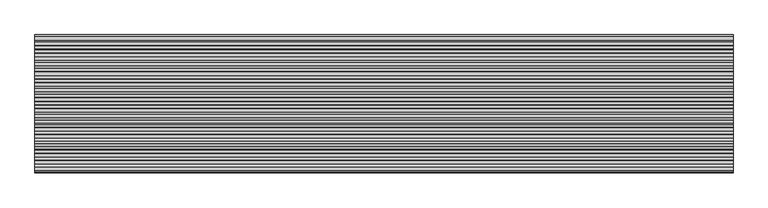
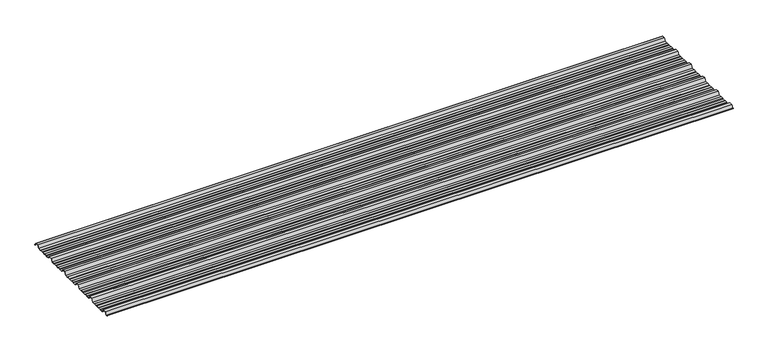
"""IFC4 building model written with IfcOpenShell, lengths in millimetres: beam geometry."""

from ifc_helpers import new_model, si_unit, point, frame, frame_2d, origin, place, context, project, spatial, polyline, circle_curve, trimmed, segment, composite_curve, outline, extrude, source, transform, mapped, element, save


def beam_672d1ae3(model_context):
    return source(origin(), model_context, "Body", "SweptSolid", [
        extrude(outline(composite_curve([segment(polyline([(-159.5006096, -7.7896475), (-173.0, -25.7896475), (-191.1560825, -25.7896475), (-195.2826844, -23.7896475), (-212.8895196, -23.7896475), (-216.1536836, -25.7896475), (-234.9266573, -25.7896475), (-237.9681158, -23.7896475), (-253.6339196, -23.7896475), (-256.6775615, -25.7896475), (-277.0, -25.7896475), (-290.4993904, -7.7896475), (-309.5006096, -7.7896475), (-323.0, -25.7896475), (-341.1560825, -25.7896475), (-345.2826844, -23.7896475), (-362.8895196, -23.7896475), (-366.1536836, -25.7896475), (-384.9266573, -25.7896475), (-387.9681158, -23.7896475), (-403.6339196, -23.7896475), (-406.6775615, -25.7896475), (-427.0, -25.7896475), (-440.4993904, -7.7896475), (-459.5006096, -7.7896475), (-473.0, -25.7896475), (-491.1560825, -25.7896475), (-495.2826844, -23.7896475), (-512.8895196, -23.7896475), (-516.1536836, -25.7896475), (-534.9266573, -25.7896475), (-537.9681158, -23.7896475), (-553.6339196, -23.7896475), (-556.6775615, -25.7896475), (-577.0, -25.7896475), (-590.4993904, -7.7896475), (-609.5006096, -7.7896475), (-623.0, -25.7896475), (-641.1560825, -25.7896475), (-645.2826844, -23.7896475), (-662.8895196, -23.7896475), (-666.1536836, -25.7896475), (-684.9266573, -25.7896475), (-687.9681158, -23.7896475), (-703.6339196, -23.7896475), (-706.6775615, -25.7896475), (-727.0, -25.7896475), (-740.4993904, -7.7896475), (-759.5006096, -7.7896475), (-771.5000677, -23.7896475), (-775.173385, -23.7896475)]), True, "CONTINUOUS"), segment(trimmed(circle_curve(frame_2d((-775.173385, -23.2896475)), 0.5), [point((-775.173385, -23.7896475))], [point((-775.173385, -22.7896475))], False, "CARTESIAN"), True, "CONTINUOUS"), segment(polyline([(-775.173385, -22.7896475), (-771.9994581, -22.7896475), (-760.0, -6.7896475), (-740.0, -6.7896475), (-726.5006096, -24.7896475), (-706.9767126, -24.7896475), (-703.9330707, -22.7896475), (-687.6687853, -22.7896475), (-684.6273268, -24.7896475), (-666.4356788, -24.7896475), (-663.1715148, -22.7896475), (-645.0531246, -22.7896475), (-640.9265226, -24.7896475), (-623.4993904, -24.7896475), (-610.0, -6.7896475), (-590.0, -6.7896475), (-576.5006096, -24.7896475), (-556.9767126, -24.7896475), (-553.9330707, -22.7896475), (-537.6687853, -22.7896475), (-534.6273268, -24.7896475), (-516.4356788, -24.7896475), (-513.1715148, -22.7896475), (-495.0531246, -22.7896475), (-490.9265226, -24.7896475), (-473.4993904, -24.7896475), (-460.0, -6.7896475), (-440.0, -6.7896475), (-426.5006096, -24.7896475), (-406.9767126, -24.7896475), (-403.9330707, -22.7896475), (-387.6687853, -22.7896475), (-384.6273268, -24.7896475), (-366.4356788, -24.7896475), (-363.1715148, -22.7896475), (-345.0531246, -22.7896475), (-340.9265226, -24.7896475), (-323.4993904, -24.7896475), (-310.0, -6.7896475), (-290.0, -6.7896475), (-276.5006096, -24.7896475), (-256.9767126, -24.7896475), (-253.9330707, -22.7896475), (-237.6687853, -22.7896475), (-234.6273268, -24.7896475), (-216.4356788, -24.7896475), (-213.1715148, -22.7896475), (-195.0531246, -22.7896475), (-190.9265226, -24.7896475), (-173.4993904, -24.7896475), (-160.0, -6.7896475), (-140.0, -6.7896475), (-126.5006096, -24.7896475), (-106.9767126, -24.7896475), (-103.9330707, -22.7896475), (-87.6687853, -22.7896475), (-84.6273268, -24.7896475), (-66.4356788, -24.7896475), (-63.1715148, -22.7896475), (-45.0531246, -22.7896475), (-40.9265226, -24.7896475), (-20.999431, -24.7896475), (-8.9999729, -8.7896475), (8.9999729, -8.7896475), (20.6572433, -24.3333765)]), True, "CONTINUOUS"), segment(trimmed(circle_curve(frame_2d((20.2574362, -24.6332183)), 0.4997507), [point((20.6572433, -24.3333765))], [point((19.8576291, -24.9330601))], False, "CARTESIAN"), True, "CONTINUOUS"), segment(polyline([(19.8576291, -24.9330601), (8.5005825, -9.7896475), (-8.5005825, -9.7896475), (-20.5000406, -25.7896475), (-41.1560825, -25.7896475), (-45.2826844, -23.7896475), (-62.8895196, -23.7896475), (-66.1536836, -25.7896475), (-84.9266573, -25.7896475), (-87.9681158, -23.7896475), (-103.6339196, -23.7896475), (-106.6775615, -25.7896475), (-127.0, -25.7896475), (-140.4993904, -7.7896475), (-159.5006096, -7.7896475)]), True, "CONTINUOUS")], self_intersect=False)), frame((-2009.285901, 0.0, 0.0), z_axis=(1.0, 0.0, 0.0), x_axis=(0.0, 1.0, 0.0)), (0.0, 0.0, 1.0), 4018.5718019),
    ])


if __name__ == "__main__":
    model = new_model("IFC4")
    model_context = context("Model", 3, world=origin())
    ifc_project = project(units=[si_unit("LENGTHUNIT", "METRE", prefix="MILLI")], contexts=[model_context])
    site = spatial("IfcSite", under=ifc_project)
    building = spatial("IfcBuilding", under=site)
    placement = place(None, origin())
    beam_shape = beam_672d1ae3(model_context)
    element("IfcBeam", 1, at=placement, inside=building, context=model_context, shape_type="MappedRepresentation", body=[
        mapped(beam_shape, transform((0.0, 0.0, 0.0), x_axis=(1.0, 0.0, 0.0), y_axis=(0.0, 1.0, 0.0), z_axis=(0.0, 0.0, 1.0))),
    ])
    save(model, "model.ifc")
